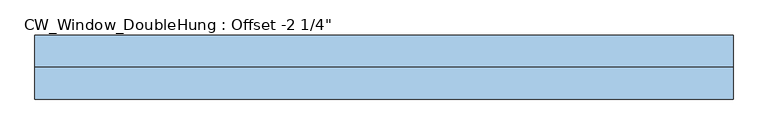
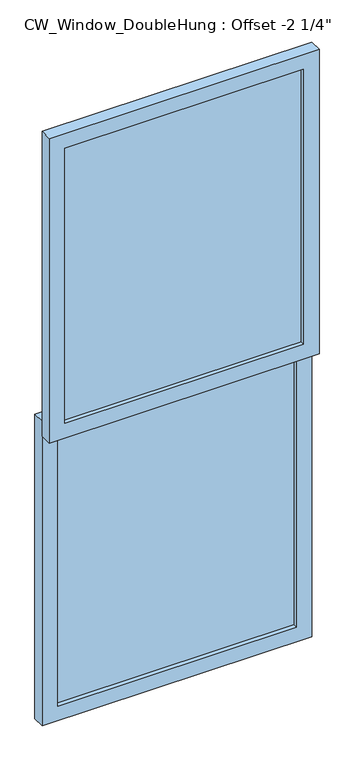
"""IFC4 building model written with IfcOpenShell, lengths in millimetres: window geometry."""

from ifc_helpers import new_model, si_unit, frame, origin, place, context, project, spatial, polyline, outline, extrude, source, transform, mapped, element, save


def window_acd546cc(model_context):
    return source(origin(), model_context, "Body", "SweptSolid", [
        extrude(outline(polyline([(2565.4, -550.5005821), (1250.95, -550.5005821), (1250.95, 550.5005821), (2565.4, 550.5005821), (2565.4, -550.5005821)]), holes=[polyline([(2501.9, -487.0005821), (2501.9, 487.0005821), (1314.45, 487.0005821), (1314.45, -487.0005821), (2501.9, -487.0005821)])]), frame((0.0, -57.15, 0.0), z_axis=(0.0, 1.0, 0.0), x_axis=(0.0, 0.0, 1.0)), (0.0, 0.0, 1.0), 50.8),
        extrude(outline(polyline([(487.0005821, -23.2833333), (487.0005821, -40.2166667), (-487.0005821, -40.2166667), (-487.0005821, -23.2833333), (487.0005821, -23.2833333)])), frame((0.0, 0.0, 1314.45), z_axis=(0.0, 0.0, 1.0), x_axis=(1.0, 0.0, 0.0)), (0.0, 0.0, 1.0), 1187.45),
        extrude(outline(polyline([(1314.45, -550.5005821), (0.0, -550.5005821), (0.0, 550.5005821), (1314.45, 550.5005821), (1314.45, -550.5005821)]), holes=[polyline([(1250.95, -487.0005821), (1250.95, 487.0005821), (63.5, 487.0005821), (63.5, -487.0005821), (1250.95, -487.0005821)])]), frame((0.0, -6.35, 0.0), z_axis=(0.0, 1.0, 0.0), x_axis=(0.0, 0.0, 1.0)), (0.0, 0.0, 1.0), 50.8),
        extrude(outline(polyline([(487.0005821, 27.5166667), (487.0005821, 10.5833333), (-487.0005821, 10.5833333), (-487.0005821, 27.5166667), (487.0005821, 27.5166667)])), frame((0.0, 0.0, 63.5), z_axis=(0.0, 0.0, 1.0), x_axis=(1.0, 0.0, 0.0)), (0.0, 0.0, 1.0), 1187.45),
    ])


if __name__ == "__main__":
    model = new_model("IFC4")
    model_context = context("Model", 3, world=origin())
    ifc_project = project(units=[si_unit("LENGTHUNIT", "METRE", prefix="MILLI")], contexts=[model_context])
    site = spatial("IfcSite", under=ifc_project)
    building = spatial("IfcBuilding", under=site)
    placement = place(None, origin())
    window_shape = window_acd546cc(model_context)
    element("IfcWindow", 1, ObjectType="CW_Window_DoubleHung : Offset -2 1/4\"", at=placement, inside=building, context=model_context, shape_type="MappedRepresentation", body=[
        mapped(window_shape, transform((0.0, 0.0, 0.0), x_axis=(1.0, 0.0, 0.0), y_axis=(0.0, 1.0, 0.0), z_axis=(0.0, 0.0, 1.0))),
    ])
    save(model, "model.ifc")
